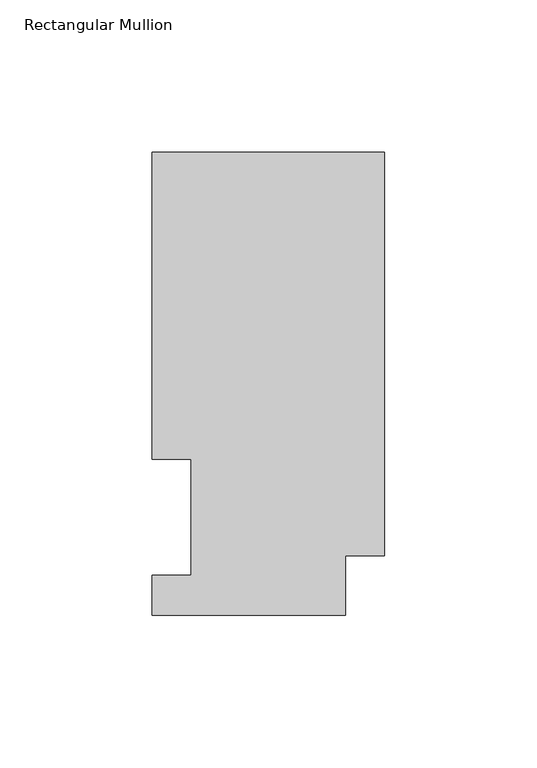
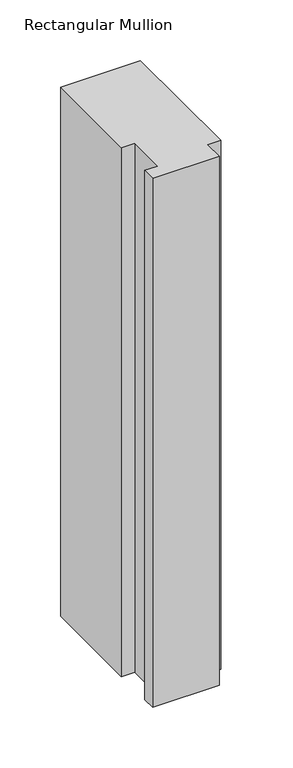
"""IFC4 building model written with IfcOpenShell, lengths in millimetres: member geometry, Rectangular Mullion."""

from ifc_helpers import new_model, si_unit, frame, origin, place, context, project, spatial, polyline, outline, extrude, source, transform, mapped, element, save


def rectangular_mullion_9a4b29a4(model_context):
    return source(origin(), model_context, "Body", "SweptSolid", [
        extrude(outline(polyline([(-76.2000004, 151.9054938), (0.0, 151.9054938), (0.0, 19.5460937), (-12.7000004, 19.5460937), (-12.7000004, 0.0134937), (-76.1943324, 0.0134937), (-76.1943324, 13.1960937), (-63.4943324, 13.1960937), (-63.4943324, 51.2960937), (-76.2000004, 51.2960938), (-76.2000004, 151.9054938)])), frame((0.0, 0.0, -533.4134938), z_axis=(0.0, 0.0, 1.0), x_axis=(1.0, 0.0, 0.0)), (0.0, 0.0, 1.0), 533.4134938),
    ])


if __name__ == "__main__":
    model = new_model("IFC4")
    model_context = context("Model", 3, world=origin())
    ifc_project = project(units=[si_unit("LENGTHUNIT", "METRE", prefix="MILLI")], contexts=[model_context])
    site = spatial("IfcSite", under=ifc_project)
    building = spatial("IfcBuilding", under=site)
    placement = place(None, origin())
    rectangular_mullion_shape = rectangular_mullion_9a4b29a4(model_context)
    element("IfcMember", 1, ObjectType="Rectangular Mullion", at=placement, inside=building, context=model_context, shape_type="MappedRepresentation", body=[
        mapped(rectangular_mullion_shape, transform((0.0, 0.0, 0.0), x_axis=(1.0, 0.0, 0.0), y_axis=(0.0, 1.0, 0.0), z_axis=(0.0, 0.0, 1.0))),
    ])
    save(model, "model.ifc")
